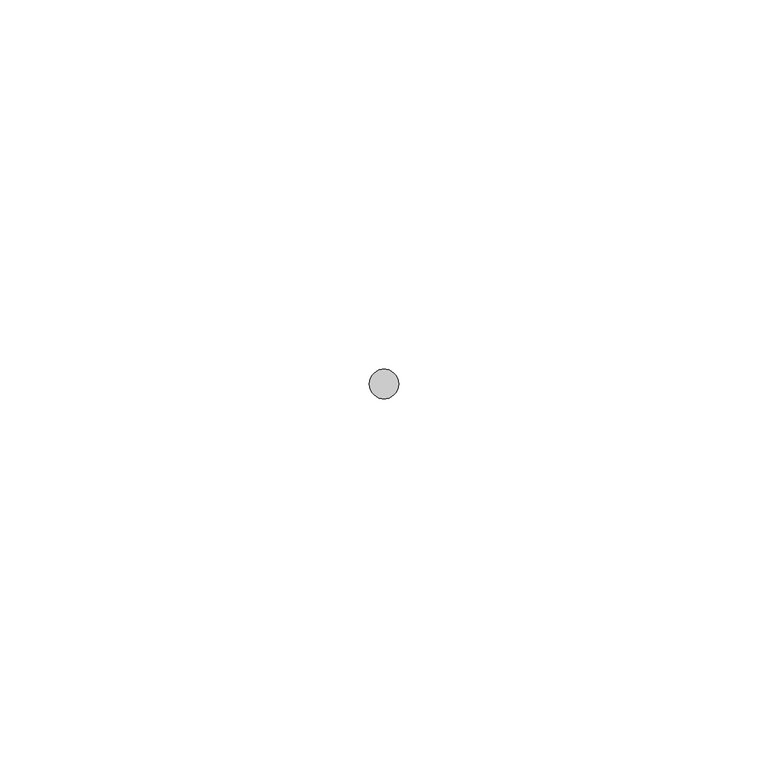
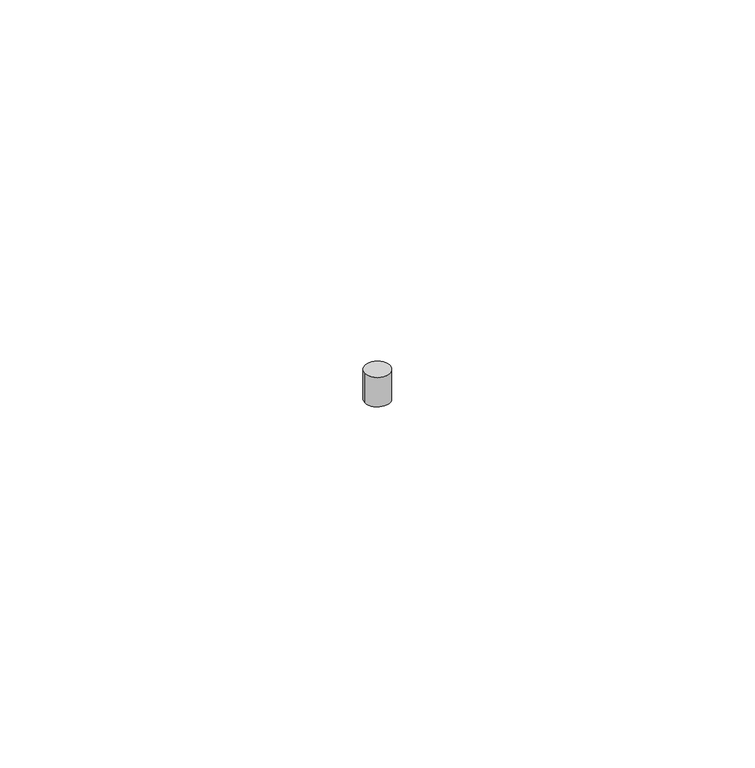
"""IFC4 building model written with IfcOpenShell, lengths in millimetres: proxy geometry."""

from ifc_helpers import new_model, si_unit, point, frame, origin, origin_2d, place, context, project, spatial, circle_curve, trimmed, segment, composite_curve, outline, extrude, source, transform, mapped, element, save


def entourage_44c5676f(model_context):
    return source(origin(), model_context, "Body", "SweptSolid", [
        extrude(outline(composite_curve([segment(trimmed(circle_curve(origin_2d(), 2.0), [point((-2.0, 0.0))], [point((2.0, 0.0))], False, "CARTESIAN"), True, "CONTINUOUS"), segment(trimmed(circle_curve(origin_2d(), 2.0), [point((2.0, 0.0))], [point((-2.0, 0.0))], False, "CARTESIAN"), True, "CONTINUOUS")], self_intersect=False)), frame((0.0, 0.0, -5.0), z_axis=(0.0, 0.0, 1.0), x_axis=(1.0, 0.0, 0.0)), (0.0, 0.0, 1.0), 5.0),
    ])


if __name__ == "__main__":
    model = new_model("IFC4")
    model_context = context("Model", 3, world=origin())
    ifc_project = project(units=[si_unit("LENGTHUNIT", "METRE", prefix="MILLI")], contexts=[model_context])
    site = spatial("IfcSite", under=ifc_project)
    building = spatial("IfcBuilding", under=site)
    placement = place(None, origin())
    entourage_shape = entourage_44c5676f(model_context)
    element("IfcBuildingElementProxy", 1, Name="Entourage", at=placement, inside=building, context=model_context, shape_type="MappedRepresentation", body=[
        mapped(entourage_shape, transform((0.0, 0.0, 0.0), x_axis=(1.0, 0.0, 0.0), y_axis=(0.0, 1.0, 0.0), z_axis=(0.0, 0.0, 1.0))),
    ])
    save(model, "model.ifc")
